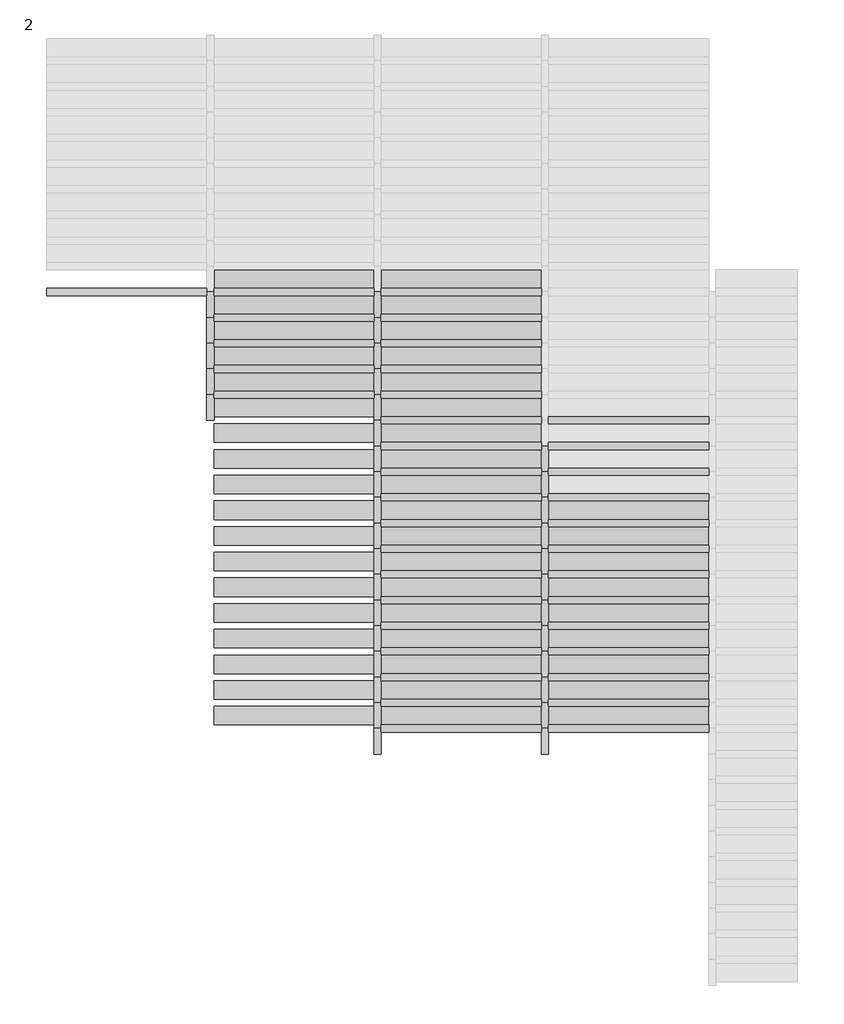
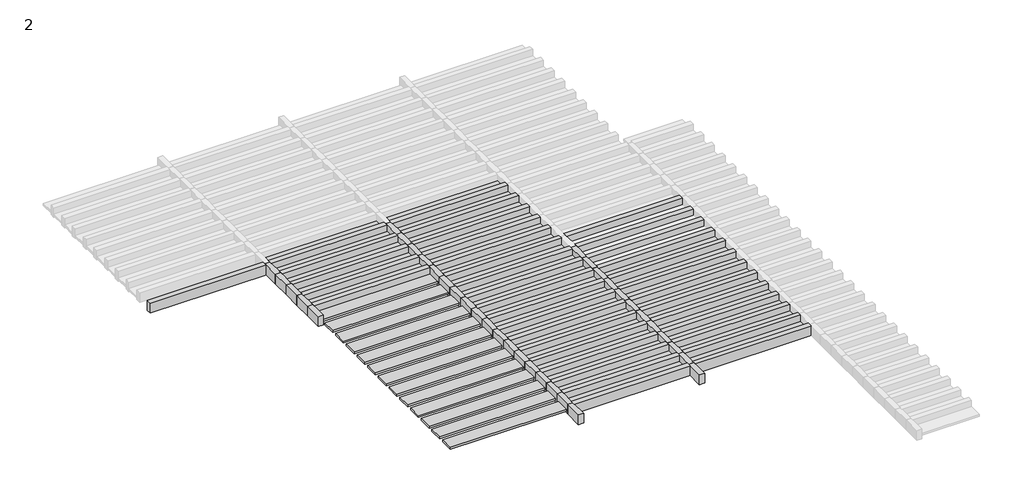
# One storey, part 11 of 20: 72 members, 45 plates.
"""IFC4 building model written with IfcOpenShell, lengths in millimetres."""

import ifcopenshell
import ifcopenshell.guid

model = None  # the IFC model being written
_history = None  # IfcOwnerHistory: only IFC2X3 demands one
_inside = {}  # id of a spatial element -> (the spatial element, [elements in it])
_under = {}  # id of a project, library or spatial element -> (it, [spatial elements below it])
_declared = {}  # id of a project -> (the project, [libraries it declares])
_typed = {}  # id of a type object -> (the type object, [elements of that type])
_made_of = {}  # id of a material, layer set ... -> (it, [elements and type objects made of it])


def new_model(schema):
    """Start an empty IFC model of exactly this schema.

    Asked for "IFC4X3", IfcOpenShell would pick the latest addendum, in which some entities
    have other attributes; the version numbers below select the first issue.
    IFC2X3 requires an IfcOwnerHistory on every rooted entity: one is made here for all.
    """
    global model, _history
    if schema == "IFC4X3":
        model = ifcopenshell.file(schema_version=(4, 3, 0, 0))
    else:
        model = ifcopenshell.file(schema=schema)
    _inside.clear()
    _under.clear()
    _declared.clear()
    _typed.clear()
    _made_of.clear()
    _history = None
    if model.schema == "IFC2X3":
        org = make("IfcOrganization", Name="unknown")
        user = make(
            "IfcPersonAndOrganization",
            ThePerson=make("IfcPerson", FamilyName="unknown"),
            TheOrganization=org,
        )
        app = make(
            "IfcApplication",
            ApplicationDeveloper=org,
            Version="unknown",
            ApplicationFullName="unknown",
            ApplicationIdentifier="unknown",
        )
        _history = make(
            "IfcOwnerHistory",
            OwningUser=user,
            OwningApplication=app,
            ChangeAction="ADDED",
            CreationDate=0,
        )
    return model


def make(cls, **values):
    """One entity of the class cls with the attributes given. An attribute that is None is left unset."""
    return model.create_entity(
        cls, **{name: value for name, value in values.items() if value is not None}
    )


def rooted(cls, **values):
    """An entity with a GlobalId (a new one), such as an element, a storey or a relation."""
    return make(cls, GlobalId=ifcopenshell.guid.new(), OwnerHistory=_history, **values)


def si_unit(unit_type, name, prefix=None):
    """IfcSIUnit, for example si_unit("LENGTHUNIT", "METRE", prefix="MILLI")."""
    return make("IfcSIUnit", UnitType=unit_type, Prefix=prefix, Name=name)


def assignment(units):
    """IfcUnitAssignment: the units of a project."""
    return None if units is None else make("IfcUnitAssignment", Units=units)


def point(xyz):
    """IfcCartesianPoint."""
    return None if xyz is None else make("IfcCartesianPoint", Coordinates=xyz)


def direction(xyz):
    """IfcDirection."""
    return None if xyz is None else make("IfcDirection", DirectionRatios=xyz)


def frame(location, z_axis=None, x_axis=None):
    """IfcAxis2Placement3D, a coordinate frame: its origin and axes. An axis left out is left unset."""
    return make(
        "IfcAxis2Placement3D",
        Location=point(location),
        Axis=direction(z_axis),
        RefDirection=direction(x_axis),
    )


def origin():
    """The frame at (0, 0, 0) with its axes left unset."""
    return frame((0.0, 0.0, 0.0))


def origin_with_axes():
    """The frame at (0, 0, 0) with the z axis (0, 0, 1) and the x axis (1, 0, 0) written out."""
    return frame((0.0, 0.0, 0.0), z_axis=(0.0, 0.0, 1.0), x_axis=(1.0, 0.0, 0.0))


def place(relative_to, where):
    """IfcLocalPlacement: puts the frame where relative to a parent placement (None: the world)."""
    return make(
        "IfcLocalPlacement", PlacementRelTo=relative_to, RelativePlacement=where
    )


def context(
    kind, dimensions, precision=None, world=None, true_north=None, identifier=None
):
    """IfcGeometricRepresentationContext, for example the 3D "Model" context."""
    return make(
        "IfcGeometricRepresentationContext",
        ContextIdentifier=identifier,
        ContextType=kind,
        CoordinateSpaceDimension=dimensions,
        Precision=precision,
        WorldCoordinateSystem=world,
        TrueNorth=true_north,
    )


def project(units=None, contexts=None):
    """IfcProject with its units and contexts."""
    return rooted(
        "IfcProject",
        Name="project",
        RepresentationContexts=contexts,
        UnitsInContext=assignment(units),
    )


def spatial(cls, under=None, at=None, **own):
    """A site, building, storey or space (cls), placed at a placement, below another one or the project."""
    s = rooted(cls, ObjectPlacement=at, **own)
    if under is not None:
        _under.setdefault(under.id(), (under, []))[1].append(s)
    return s


def polyline(points):
    """IfcPolyline through the points."""
    return make("IfcPolyline", Points=[point(p) for p in points])


def outline(outer, holes=None, kind="AREA"):
    """IfcArbitraryClosedProfileDef: a profile drawn as a closed curve; with holes, ...WithVoids."""
    if holes is None:
        return make("IfcArbitraryClosedProfileDef", ProfileType=kind, OuterCurve=outer)
    return make(
        "IfcArbitraryProfileDefWithVoids",
        ProfileType=kind,
        OuterCurve=outer,
        InnerCurves=holes,
    )


def extrude(swept, where, along, depth):
    """IfcExtrudedAreaSolid: the profile swept, set in the frame where, extruded along a direction by depth."""
    return make(
        "IfcExtrudedAreaSolid",
        SweptArea=swept,
        Position=where,
        ExtrudedDirection=direction(along),
        Depth=depth,
    )


def shape(context_of_items, identifier, shape_type, items):
    """IfcShapeRepresentation: the items that make up one representation, for example the "Body"."""
    return make(
        "IfcShapeRepresentation",
        ContextOfItems=context_of_items,
        RepresentationIdentifier=identifier,
        RepresentationType=shape_type,
        Items=items,
    )


def source(mapping_origin, context_of_items, identifier, shape_type, items):
    """IfcRepresentationMap: a shape defined once, which mapped items show again and again."""
    return make(
        "IfcRepresentationMap",
        MappingOrigin=mapping_origin,
        MappedRepresentation=shape(context_of_items, identifier, shape_type, items),
    )


def transform(
    local_origin,
    x_axis=None,
    y_axis=None,
    z_axis=None,
    scale=None,
    scale2=None,
    scale3=None,
    uniform=True,
):
    """IfcCartesianTransformationOperator3D, or its non-uniform kind. x_axis, y_axis, z_axis: its Axis1, 2, 3."""
    if uniform:
        return make(
            "IfcCartesianTransformationOperator3D",
            Axis1=direction(x_axis),
            Axis2=direction(y_axis),
            LocalOrigin=point(local_origin),
            Scale=scale,
            Axis3=direction(z_axis),
        )
    return make(
        "IfcCartesianTransformationOperator3DnonUniform",
        Axis1=direction(x_axis),
        Axis2=direction(y_axis),
        LocalOrigin=point(local_origin),
        Scale=scale,
        Axis3=direction(z_axis),
        Scale2=scale2,
        Scale3=scale3,
    )


def mapped(mapping_source, mapping_target):
    """IfcMappedItem: shows the shape of a source again, moved by a transform."""
    return make(
        "IfcMappedItem", MappingSource=mapping_source, MappingTarget=mapping_target
    )


def made_of(thing, what):
    """Note that an element or type object is made of a material, layer set ...; save() writes the relation."""
    if what is not None:
        _made_of.setdefault(what.id(), (what, []))[1].append(thing)
    return thing


def element(
    cls,
    number,
    at=None,
    inside=None,
    cuts=None,
    type_object=None,
    material=None,
    context=None,
    identifier="Body",
    shape_type=None,
    held_by="IfcProductDefinitionShape",
    body=None,
    shapes=None,
    **own,
):
    """One element of the class cls, such as IfcWall. Its Tag is "e" and its number.

    at: its placement. inside: the storey or other place that contains it. cuts: it is an
    opening in that element (IfcRelVoidsElement). A single representation is given by context,
    identifier, shape_type and body (its items); several are given by shapes. held_by: the class
    of the entity that holds the representations. save() writes the other relations.
    """
    e = rooted(cls, Tag="e%d" % number, ObjectPlacement=at, **own)
    if body is not None:
        shapes = [shape(context, identifier, shape_type, body)]
    if shapes is not None:
        e.Representation = make(held_by, Representations=shapes)
    if inside is not None:
        _inside.setdefault(inside.id(), (inside, []))[1].append(e)
    if cuts is not None:
        rooted(
            "IfcRelVoidsElement", RelatingBuildingElement=cuts, RelatedOpeningElement=e
        )
    if type_object is not None:
        _typed.setdefault(type_object.id(), (type_object, []))[1].append(e)
    return made_of(e, material)


def aggregate(whole, parts):
    """IfcRelAggregates: a whole, such as a stair, and the parts it consists of."""
    return rooted("IfcRelAggregates", RelatingObject=whole, RelatedObjects=parts)


def save(model, path):
    """Write the relations noted so far, then the file.

    IfcRelAggregates (storeys below a building ...), IfcRelContainedInSpatialStructure (elements
    in a storey), IfcRelDefinesByType, IfcRelAssociatesMaterial and IfcRelDeclares: one each for
    every whole, place, type object, material and project.
    """
    for whole, parts in _under.values():
        aggregate(whole, parts)
    for where, things in _inside.values():
        rooted(
            "IfcRelContainedInSpatialStructure",
            RelatedElements=things,
            RelatingStructure=where,
        )
    for kind, things in _typed.values():
        rooted("IfcRelDefinesByType", RelatedObjects=things, RelatingType=kind)
    for what, things in _made_of.values():
        rooted("IfcRelAssociatesMaterial", RelatedObjects=things, RelatingMaterial=what)
    for by, libraries in _declared.values():
        rooted("IfcRelDeclares", RelatingContext=by, RelatedDefinitions=libraries)
    model.write(path)


def rectangular_mullion_rectangular_mullion_1_2e36edf5(model_context):
    return source(origin(), model_context, "Body", "SweptSolid", [
        extrude(outline(polyline([(31.75, 63.5), (31.75, -63.5), (-31.75, -63.5), (-31.75, 63.5), (31.75, 63.5)])), frame((0.0, 0.0, -1436.5), z_axis=(0.0, 0.0, 1.0), x_axis=(1.0, 0.0, 0.0)), (0.0, 0.0, 1.0), 1436.5),
    ])


def rectangular_mullion_rectangular_mullion_1_d94df714(model_context):
    return source(origin(), model_context, "Body", "SweptSolid", [
        extrude(outline(polyline([(31.75, 63.5), (31.75, -63.5), (-31.75, -63.5), (-31.75, 63.5), (31.75, 63.5)])), frame((0.0, 0.0, -230.0), z_axis=(0.0, 0.0, 1.0), x_axis=(1.0, 0.0, 0.0)), (0.0, 0.0, 1.0), 230.0),
    ])


def system_panel_glazed_08e8e96b(model_context):
    return source(origin(), model_context, "Body", "SweptSolid", [
        extrude(outline(polyline([(718.25, 19.05), (-718.25, 19.05), (-718.25, 44.45), (718.25, 44.45), (718.25, 19.05)])), origin_with_axes(), (0.0, 0.0, 1.0), 166.5),
    ])


model = new_model("IFC4")

# Units and contexts
model_context = context("Model", 3, world=origin())
ifc_project = project(units=[si_unit("LENGTHUNIT", "METRE", prefix="MILLI")], contexts=[model_context])

# Site, building, storey
site = spatial("IfcSite", under=ifc_project)
building = spatial("IfcBuilding", under=site)
storey = spatial("IfcBuildingStorey", under=building, Name="2", Elevation=6840.0)

# Members
placement = place(None, origin())
rectangular_mullion_rectangular_mullion_1_shape = rectangular_mullion_rectangular_mullion_1_2e36edf5(model_context)
element("IfcMember", 1, ObjectType="Rectangular Mullion : Rectangular Mullion 1", at=placement, inside=storey, context=model_context, shape_type="MappedRepresentation", body=[
    mapped(rectangular_mullion_rectangular_mullion_1_shape, transform((2077.9371269, -54.8054662, 6840.0), x_axis=(0.0, 1.0, 0.0), y_axis=(0.0, 0.0, -1.0), z_axis=(-1.0, 0.0, 0.0))),
])
element("IfcMember", 2, ObjectType="Rectangular Mullion : Rectangular Mullion 1", at=placement, inside=storey, context=model_context, shape_type="MappedRepresentation", body=[
    mapped(rectangular_mullion_rectangular_mullion_1_shape, transform((5077.9371269, -3964.8054662, 6840.0), x_axis=(0.0, 1.0, 0.0), y_axis=(0.0, 0.0, -1.0), z_axis=(-1.0, 0.0, 0.0))),
])
element("IfcMember", 3, ObjectType="Rectangular Mullion : Rectangular Mullion 1", at=placement, inside=storey, context=model_context, shape_type="MappedRepresentation", body=[
    mapped(rectangular_mullion_rectangular_mullion_1_shape, transform((6577.9371269, -3964.8054662, 6840.0), x_axis=(0.0, 1.0, 0.0), y_axis=(0.0, 0.0, -1.0), z_axis=(-1.0, 0.0, 0.0))),
])
element("IfcMember", 4, ObjectType="Rectangular Mullion : Rectangular Mullion 1", at=placement, inside=storey, context=model_context, shape_type="MappedRepresentation", body=[
    mapped(rectangular_mullion_rectangular_mullion_1_shape, transform((5077.9371269, -3734.8054662, 6840.0), x_axis=(0.0, 1.0, 0.0), y_axis=(0.0, 0.0, -1.0), z_axis=(-1.0, 0.0, 0.0))),
])
element("IfcMember", 5, ObjectType="Rectangular Mullion : Rectangular Mullion 1", at=placement, inside=storey, context=model_context, shape_type="MappedRepresentation", body=[
    mapped(rectangular_mullion_rectangular_mullion_1_shape, transform((6577.9371269, -3734.8054662, 6840.0), x_axis=(0.0, 1.0, 0.0), y_axis=(0.0, 0.0, -1.0), z_axis=(-1.0, 0.0, 0.0))),
])
element("IfcMember", 6, ObjectType="Rectangular Mullion : Rectangular Mullion 1", at=placement, inside=storey, context=model_context, shape_type="MappedRepresentation", body=[
    mapped(rectangular_mullion_rectangular_mullion_1_shape, transform((5077.9371269, -3504.8054662, 6840.0), x_axis=(0.0, 1.0, 0.0), y_axis=(0.0, 0.0, -1.0), z_axis=(-1.0, 0.0, 0.0))),
])
element("IfcMember", 7, ObjectType="Rectangular Mullion : Rectangular Mullion 1", at=placement, inside=storey, context=model_context, shape_type="MappedRepresentation", body=[
    mapped(rectangular_mullion_rectangular_mullion_1_shape, transform((6577.9371269, -3504.8054662, 6840.0), x_axis=(0.0, 1.0, 0.0), y_axis=(0.0, 0.0, -1.0), z_axis=(-1.0, 0.0, 0.0))),
])
element("IfcMember", 8, ObjectType="Rectangular Mullion : Rectangular Mullion 1", at=placement, inside=storey, context=model_context, shape_type="MappedRepresentation", body=[
    mapped(rectangular_mullion_rectangular_mullion_1_shape, transform((5077.9371269, -3274.8054662, 6840.0), x_axis=(0.0, 1.0, 0.0), y_axis=(0.0, 0.0, -1.0), z_axis=(-1.0, 0.0, 0.0))),
])
element("IfcMember", 9, ObjectType="Rectangular Mullion : Rectangular Mullion 1", at=placement, inside=storey, context=model_context, shape_type="MappedRepresentation", body=[
    mapped(rectangular_mullion_rectangular_mullion_1_shape, transform((6577.9371269, -3274.8054662, 6840.0), x_axis=(0.0, 1.0, 0.0), y_axis=(0.0, 0.0, -1.0), z_axis=(-1.0, 0.0, 0.0))),
])
element("IfcMember", 10, ObjectType="Rectangular Mullion : Rectangular Mullion 1", at=placement, inside=storey, context=model_context, shape_type="MappedRepresentation", body=[
    mapped(rectangular_mullion_rectangular_mullion_1_shape, transform((5077.9371269, -3044.8054662, 6840.0), x_axis=(0.0, 1.0, 0.0), y_axis=(0.0, 0.0, -1.0), z_axis=(-1.0, 0.0, 0.0))),
])
element("IfcMember", 11, ObjectType="Rectangular Mullion : Rectangular Mullion 1", at=placement, inside=storey, context=model_context, shape_type="MappedRepresentation", body=[
    mapped(rectangular_mullion_rectangular_mullion_1_shape, transform((6577.9371269, -3044.8054662, 6840.0), x_axis=(0.0, 1.0, 0.0), y_axis=(0.0, 0.0, -1.0), z_axis=(-1.0, 0.0, 0.0))),
])
element("IfcMember", 12, ObjectType="Rectangular Mullion : Rectangular Mullion 1", at=placement, inside=storey, context=model_context, shape_type="MappedRepresentation", body=[
    mapped(rectangular_mullion_rectangular_mullion_1_shape, transform((5077.9371269, -2814.8054662, 6840.0), x_axis=(0.0, 1.0, 0.0), y_axis=(0.0, 0.0, -1.0), z_axis=(-1.0, 0.0, 0.0))),
])
element("IfcMember", 13, ObjectType="Rectangular Mullion : Rectangular Mullion 1", at=placement, inside=storey, context=model_context, shape_type="MappedRepresentation", body=[
    mapped(rectangular_mullion_rectangular_mullion_1_shape, transform((6577.9371269, -2814.8054662, 6840.0), x_axis=(0.0, 1.0, 0.0), y_axis=(0.0, 0.0, -1.0), z_axis=(-1.0, 0.0, 0.0))),
])
element("IfcMember", 14, ObjectType="Rectangular Mullion : Rectangular Mullion 1", at=placement, inside=storey, context=model_context, shape_type="MappedRepresentation", body=[
    mapped(rectangular_mullion_rectangular_mullion_1_shape, transform((5077.9371269, -2584.8054662, 6840.0), x_axis=(0.0, 1.0, 0.0), y_axis=(0.0, 0.0, -1.0), z_axis=(-1.0, 0.0, 0.0))),
])
element("IfcMember", 15, ObjectType="Rectangular Mullion : Rectangular Mullion 1", at=placement, inside=storey, context=model_context, shape_type="MappedRepresentation", body=[
    mapped(rectangular_mullion_rectangular_mullion_1_shape, transform((6577.9371269, -2584.8054662, 6840.0), x_axis=(0.0, 1.0, 0.0), y_axis=(0.0, 0.0, -1.0), z_axis=(-1.0, 0.0, 0.0))),
])
element("IfcMember", 16, ObjectType="Rectangular Mullion : Rectangular Mullion 1", at=placement, inside=storey, context=model_context, shape_type="MappedRepresentation", body=[
    mapped(rectangular_mullion_rectangular_mullion_1_shape, transform((5077.9371269, -2354.8054662, 6840.0), x_axis=(0.0, 1.0, 0.0), y_axis=(0.0, 0.0, -1.0), z_axis=(-1.0, 0.0, 0.0))),
])
element("IfcMember", 17, ObjectType="Rectangular Mullion : Rectangular Mullion 1", at=placement, inside=storey, context=model_context, shape_type="MappedRepresentation", body=[
    mapped(rectangular_mullion_rectangular_mullion_1_shape, transform((6577.9371269, -2354.8054662, 6840.0), x_axis=(0.0, 1.0, 0.0), y_axis=(0.0, 0.0, -1.0), z_axis=(-1.0, 0.0, 0.0))),
])
element("IfcMember", 18, ObjectType="Rectangular Mullion : Rectangular Mullion 1", at=placement, inside=storey, context=model_context, shape_type="MappedRepresentation", body=[
    mapped(rectangular_mullion_rectangular_mullion_1_shape, transform((5077.9371269, -2124.8054662, 6840.0), x_axis=(0.0, 1.0, 0.0), y_axis=(0.0, 0.0, -1.0), z_axis=(-1.0, 0.0, 0.0))),
])
element("IfcMember", 19, ObjectType="Rectangular Mullion : Rectangular Mullion 1", at=placement, inside=storey, context=model_context, shape_type="MappedRepresentation", body=[
    mapped(rectangular_mullion_rectangular_mullion_1_shape, transform((6577.9371269, -2124.8054662, 6840.0), x_axis=(0.0, 1.0, 0.0), y_axis=(0.0, 0.0, -1.0), z_axis=(-1.0, 0.0, 0.0))),
])
element("IfcMember", 20, ObjectType="Rectangular Mullion : Rectangular Mullion 1", at=placement, inside=storey, context=model_context, shape_type="MappedRepresentation", body=[
    mapped(rectangular_mullion_rectangular_mullion_1_shape, transform((5077.9371269, -1894.8054662, 6840.0), x_axis=(0.0, 1.0, 0.0), y_axis=(0.0, 0.0, -1.0), z_axis=(-1.0, 0.0, 0.0))),
])
element("IfcMember", 21, ObjectType="Rectangular Mullion : Rectangular Mullion 1", at=placement, inside=storey, context=model_context, shape_type="MappedRepresentation", body=[
    mapped(rectangular_mullion_rectangular_mullion_1_shape, transform((6577.9371269, -1894.8054662, 6840.0), x_axis=(0.0, 1.0, 0.0), y_axis=(0.0, 0.0, -1.0), z_axis=(-1.0, 0.0, 0.0))),
])
element("IfcMember", 22, ObjectType="Rectangular Mullion : Rectangular Mullion 1", at=placement, inside=storey, context=model_context, shape_type="MappedRepresentation", body=[
    mapped(rectangular_mullion_rectangular_mullion_1_shape, transform((5077.9371269, -1664.8054662, 6840.0), x_axis=(0.0, 1.0, 0.0), y_axis=(0.0, 0.0, -1.0), z_axis=(-1.0, 0.0, 0.0))),
])
element("IfcMember", 23, ObjectType="Rectangular Mullion : Rectangular Mullion 1", at=placement, inside=storey, context=model_context, shape_type="MappedRepresentation", body=[
    mapped(rectangular_mullion_rectangular_mullion_1_shape, transform((6577.9371269, -1664.8054662, 6840.0), x_axis=(0.0, 1.0, 0.0), y_axis=(0.0, 0.0, -1.0), z_axis=(-1.0, 0.0, 0.0))),
])
element("IfcMember", 24, ObjectType="Rectangular Mullion : Rectangular Mullion 1", at=placement, inside=storey, context=model_context, shape_type="MappedRepresentation", body=[
    mapped(rectangular_mullion_rectangular_mullion_1_shape, transform((5077.9371269, -1434.8054662, 6840.0), x_axis=(0.0, 1.0, 0.0), y_axis=(0.0, 0.0, -1.0), z_axis=(-1.0, 0.0, 0.0))),
])
element("IfcMember", 25, ObjectType="Rectangular Mullion : Rectangular Mullion 1", at=placement, inside=storey, context=model_context, shape_type="MappedRepresentation", body=[
    mapped(rectangular_mullion_rectangular_mullion_1_shape, transform((6577.9371269, -1434.8054662, 6840.0), x_axis=(0.0, 1.0, 0.0), y_axis=(0.0, 0.0, -1.0), z_axis=(-1.0, 0.0, 0.0))),
])
element("IfcMember", 26, ObjectType="Rectangular Mullion : Rectangular Mullion 1", at=placement, inside=storey, context=model_context, shape_type="MappedRepresentation", body=[
    mapped(rectangular_mullion_rectangular_mullion_1_shape, transform((5077.9371269, -1204.8054662, 6840.0), x_axis=(0.0, 1.0, 0.0), y_axis=(0.0, 0.0, -1.0), z_axis=(-1.0, 0.0, 0.0))),
])
element("IfcMember", 27, ObjectType="Rectangular Mullion : Rectangular Mullion 1", at=placement, inside=storey, context=model_context, shape_type="MappedRepresentation", body=[
    mapped(rectangular_mullion_rectangular_mullion_1_shape, transform((6577.9371269, -1204.8054662, 6840.0), x_axis=(0.0, 1.0, 0.0), y_axis=(0.0, 0.0, -1.0), z_axis=(-1.0, 0.0, 0.0))),
])
element("IfcMember", 28, ObjectType="Rectangular Mullion : Rectangular Mullion 1", at=placement, inside=storey, context=model_context, shape_type="MappedRepresentation", body=[
    mapped(rectangular_mullion_rectangular_mullion_1_shape, transform((3577.9371269, -974.8054662, 6840.0), x_axis=(0.0, 1.0, 0.0), y_axis=(0.0, 0.0, -1.0), z_axis=(-1.0, 0.0, 0.0))),
])
element("IfcMember", 29, ObjectType="Rectangular Mullion : Rectangular Mullion 1", at=placement, inside=storey, context=model_context, shape_type="MappedRepresentation", body=[
    mapped(rectangular_mullion_rectangular_mullion_1_shape, transform((5077.9371269, -974.8054662, 6840.0), x_axis=(0.0, 1.0, 0.0), y_axis=(0.0, 0.0, -1.0), z_axis=(-1.0, 0.0, 0.0))),
])
element("IfcMember", 30, ObjectType="Rectangular Mullion : Rectangular Mullion 1", at=placement, inside=storey, context=model_context, shape_type="MappedRepresentation", body=[
    mapped(rectangular_mullion_rectangular_mullion_1_shape, transform((3577.9371269, -744.8054662, 6840.0), x_axis=(0.0, 1.0, 0.0), y_axis=(0.0, 0.0, -1.0), z_axis=(-1.0, 0.0, 0.0))),
])
element("IfcMember", 31, ObjectType="Rectangular Mullion : Rectangular Mullion 1", at=placement, inside=storey, context=model_context, shape_type="MappedRepresentation", body=[
    mapped(rectangular_mullion_rectangular_mullion_1_shape, transform((5077.9371269, -744.8054662, 6840.0), x_axis=(0.0, 1.0, 0.0), y_axis=(0.0, 0.0, -1.0), z_axis=(-1.0, 0.0, 0.0))),
])
element("IfcMember", 32, ObjectType="Rectangular Mullion : Rectangular Mullion 1", at=placement, inside=storey, context=model_context, shape_type="MappedRepresentation", body=[
    mapped(rectangular_mullion_rectangular_mullion_1_shape, transform((3577.9371269, -514.8054662, 6840.0), x_axis=(0.0, 1.0, 0.0), y_axis=(0.0, 0.0, -1.0), z_axis=(-1.0, 0.0, 0.0))),
])
element("IfcMember", 33, ObjectType="Rectangular Mullion : Rectangular Mullion 1", at=placement, inside=storey, context=model_context, shape_type="MappedRepresentation", body=[
    mapped(rectangular_mullion_rectangular_mullion_1_shape, transform((5077.9371269, -514.8054662, 6840.0), x_axis=(0.0, 1.0, 0.0), y_axis=(0.0, 0.0, -1.0), z_axis=(-1.0, 0.0, 0.0))),
])
element("IfcMember", 34, ObjectType="Rectangular Mullion : Rectangular Mullion 1", at=placement, inside=storey, context=model_context, shape_type="MappedRepresentation", body=[
    mapped(rectangular_mullion_rectangular_mullion_1_shape, transform((3577.9371269, -284.8054662, 6840.0), x_axis=(0.0, 1.0, 0.0), y_axis=(0.0, 0.0, -1.0), z_axis=(-1.0, 0.0, 0.0))),
])
element("IfcMember", 35, ObjectType="Rectangular Mullion : Rectangular Mullion 1", at=placement, inside=storey, context=model_context, shape_type="MappedRepresentation", body=[
    mapped(rectangular_mullion_rectangular_mullion_1_shape, transform((5077.9371269, -284.8054662, 6840.0), x_axis=(0.0, 1.0, 0.0), y_axis=(0.0, 0.0, -1.0), z_axis=(-1.0, 0.0, 0.0))),
])
element("IfcMember", 36, ObjectType="Rectangular Mullion : Rectangular Mullion 1", at=placement, inside=storey, context=model_context, shape_type="MappedRepresentation", body=[
    mapped(rectangular_mullion_rectangular_mullion_1_shape, transform((3577.9371269, -54.8054662, 6840.0), x_axis=(0.0, 1.0, 0.0), y_axis=(0.0, 0.0, -1.0), z_axis=(-1.0, 0.0, 0.0))),
])
element("IfcMember", 37, ObjectType="Rectangular Mullion : Rectangular Mullion 1", at=placement, inside=storey, context=model_context, shape_type="MappedRepresentation", body=[
    mapped(rectangular_mullion_rectangular_mullion_1_shape, transform((5077.9371269, -54.8054662, 6840.0), x_axis=(0.0, 1.0, 0.0), y_axis=(0.0, 0.0, -1.0), z_axis=(-1.0, 0.0, 0.0))),
])
rectangular_mullion_rectangular_mullion_1_2_shape = rectangular_mullion_rectangular_mullion_1_d94df714(model_context)
element("IfcMember", 38, ObjectType="Rectangular Mullion : Rectangular Mullion 1", at=placement, inside=storey, context=model_context, shape_type="MappedRepresentation", body=[
    mapped(rectangular_mullion_rectangular_mullion_1_2_shape, transform((5046.1871269, -3964.8054662, 6840.0), x_axis=(1.0, 0.0, 0.0), y_axis=(0.0, 0.0, -1.0), z_axis=(0.0, 1.0, 0.0))),
])
element("IfcMember", 39, ObjectType="Rectangular Mullion : Rectangular Mullion 1", at=placement, inside=storey, context=model_context, shape_type="MappedRepresentation", body=[
    mapped(rectangular_mullion_rectangular_mullion_1_2_shape, transform((6546.1871269, -3964.8054662, 6840.0), x_axis=(1.0, 0.0, 0.0), y_axis=(0.0, 0.0, -1.0), z_axis=(0.0, 1.0, 0.0))),
])
element("IfcMember", 40, ObjectType="Rectangular Mullion : Rectangular Mullion 1", at=placement, inside=storey, context=model_context, shape_type="MappedRepresentation", body=[
    mapped(rectangular_mullion_rectangular_mullion_1_2_shape, transform((5046.1871269, -3734.8054662, 6840.0), x_axis=(1.0, 0.0, 0.0), y_axis=(0.0, 0.0, -1.0), z_axis=(0.0, 1.0, 0.0))),
])
element("IfcMember", 41, ObjectType="Rectangular Mullion : Rectangular Mullion 1", at=placement, inside=storey, context=model_context, shape_type="MappedRepresentation", body=[
    mapped(rectangular_mullion_rectangular_mullion_1_2_shape, transform((6546.1871269, -3734.8054662, 6840.0), x_axis=(1.0, 0.0, 0.0), y_axis=(0.0, 0.0, -1.0), z_axis=(0.0, 1.0, 0.0))),
])
element("IfcMember", 42, ObjectType="Rectangular Mullion : Rectangular Mullion 1", at=placement, inside=storey, context=model_context, shape_type="MappedRepresentation", body=[
    mapped(rectangular_mullion_rectangular_mullion_1_2_shape, transform((5046.1871269, -3504.8054662, 6840.0), x_axis=(1.0, 0.0, 0.0), y_axis=(0.0, 0.0, -1.0), z_axis=(0.0, 1.0, 0.0))),
])
element("IfcMember", 43, ObjectType="Rectangular Mullion : Rectangular Mullion 1", at=placement, inside=storey, context=model_context, shape_type="MappedRepresentation", body=[
    mapped(rectangular_mullion_rectangular_mullion_1_2_shape, transform((6546.1871269, -3504.8054662, 6840.0), x_axis=(1.0, 0.0, 0.0), y_axis=(0.0, 0.0, -1.0), z_axis=(0.0, 1.0, 0.0))),
])
element("IfcMember", 44, ObjectType="Rectangular Mullion : Rectangular Mullion 1", at=placement, inside=storey, context=model_context, shape_type="MappedRepresentation", body=[
    mapped(rectangular_mullion_rectangular_mullion_1_2_shape, transform((5046.1871269, -3274.8054662, 6840.0), x_axis=(1.0, 0.0, 0.0), y_axis=(0.0, 0.0, -1.0), z_axis=(0.0, 1.0, 0.0))),
])
element("IfcMember", 45, ObjectType="Rectangular Mullion : Rectangular Mullion 1", at=placement, inside=storey, context=model_context, shape_type="MappedRepresentation", body=[
    mapped(rectangular_mullion_rectangular_mullion_1_2_shape, transform((6546.1871269, -3274.8054662, 6840.0), x_axis=(1.0, 0.0, 0.0), y_axis=(0.0, 0.0, -1.0), z_axis=(0.0, 1.0, 0.0))),
])
element("IfcMember", 46, ObjectType="Rectangular Mullion : Rectangular Mullion 1", at=placement, inside=storey, context=model_context, shape_type="MappedRepresentation", body=[
    mapped(rectangular_mullion_rectangular_mullion_1_2_shape, transform((5046.1871269, -3044.8054662, 6840.0), x_axis=(1.0, 0.0, 0.0), y_axis=(0.0, 0.0, -1.0), z_axis=(0.0, 1.0, 0.0))),
])
element("IfcMember", 47, ObjectType="Rectangular Mullion : Rectangular Mullion 1", at=placement, inside=storey, context=model_context, shape_type="MappedRepresentation", body=[
    mapped(rectangular_mullion_rectangular_mullion_1_2_shape, transform((6546.1871269, -3044.8054662, 6840.0), x_axis=(1.0, 0.0, 0.0), y_axis=(0.0, 0.0, -1.0), z_axis=(0.0, 1.0, 0.0))),
])
element("IfcMember", 48, ObjectType="Rectangular Mullion : Rectangular Mullion 1", at=placement, inside=storey, context=model_context, shape_type="MappedRepresentation", body=[
    mapped(rectangular_mullion_rectangular_mullion_1_2_shape, transform((5046.1871269, -2814.8054662, 6840.0), x_axis=(1.0, 0.0, 0.0), y_axis=(0.0, 0.0, -1.0), z_axis=(0.0, 1.0, 0.0))),
])
element("IfcMember", 49, ObjectType="Rectangular Mullion : Rectangular Mullion 1", at=placement, inside=storey, context=model_context, shape_type="MappedRepresentation", body=[
    mapped(rectangular_mullion_rectangular_mullion_1_2_shape, transform((6546.1871269, -2814.8054662, 6840.0), x_axis=(1.0, 0.0, 0.0), y_axis=(0.0, 0.0, -1.0), z_axis=(0.0, 1.0, 0.0))),
])
element("IfcMember", 50, ObjectType="Rectangular Mullion : Rectangular Mullion 1", at=placement, inside=storey, context=model_context, shape_type="MappedRepresentation", body=[
    mapped(rectangular_mullion_rectangular_mullion_1_2_shape, transform((5046.1871269, -2584.8054662, 6840.0), x_axis=(1.0, 0.0, 0.0), y_axis=(0.0, 0.0, -1.0), z_axis=(0.0, 1.0, 0.0))),
])
element("IfcMember", 51, ObjectType="Rectangular Mullion : Rectangular Mullion 1", at=placement, inside=storey, context=model_context, shape_type="MappedRepresentation", body=[
    mapped(rectangular_mullion_rectangular_mullion_1_2_shape, transform((6546.1871269, -2584.8054662, 6840.0), x_axis=(1.0, 0.0, 0.0), y_axis=(0.0, 0.0, -1.0), z_axis=(0.0, 1.0, 0.0))),
])
element("IfcMember", 52, ObjectType="Rectangular Mullion : Rectangular Mullion 1", at=placement, inside=storey, context=model_context, shape_type="MappedRepresentation", body=[
    mapped(rectangular_mullion_rectangular_mullion_1_2_shape, transform((5046.1871269, -2354.8054662, 6840.0), x_axis=(1.0, 0.0, 0.0), y_axis=(0.0, 0.0, -1.0), z_axis=(0.0, 1.0, 0.0))),
])
element("IfcMember", 53, ObjectType="Rectangular Mullion : Rectangular Mullion 1", at=placement, inside=storey, context=model_context, shape_type="MappedRepresentation", body=[
    mapped(rectangular_mullion_rectangular_mullion_1_2_shape, transform((6546.1871269, -2354.8054662, 6840.0), x_axis=(1.0, 0.0, 0.0), y_axis=(0.0, 0.0, -1.0), z_axis=(0.0, 1.0, 0.0))),
])
element("IfcMember", 54, ObjectType="Rectangular Mullion : Rectangular Mullion 1", at=placement, inside=storey, context=model_context, shape_type="MappedRepresentation", body=[
    mapped(rectangular_mullion_rectangular_mullion_1_2_shape, transform((5046.1871269, -2124.8054662, 6840.0), x_axis=(1.0, 0.0, 0.0), y_axis=(0.0, 0.0, -1.0), z_axis=(0.0, 1.0, 0.0))),
])
element("IfcMember", 55, ObjectType="Rectangular Mullion : Rectangular Mullion 1", at=placement, inside=storey, context=model_context, shape_type="MappedRepresentation", body=[
    mapped(rectangular_mullion_rectangular_mullion_1_2_shape, transform((6546.1871269, -2124.8054662, 6840.0), x_axis=(1.0, 0.0, 0.0), y_axis=(0.0, 0.0, -1.0), z_axis=(0.0, 1.0, 0.0))),
])
element("IfcMember", 56, ObjectType="Rectangular Mullion : Rectangular Mullion 1", at=placement, inside=storey, context=model_context, shape_type="MappedRepresentation", body=[
    mapped(rectangular_mullion_rectangular_mullion_1_2_shape, transform((5046.1871269, -1894.8054662, 6840.0), x_axis=(1.0, 0.0, 0.0), y_axis=(0.0, 0.0, -1.0), z_axis=(0.0, 1.0, 0.0))),
])
element("IfcMember", 57, ObjectType="Rectangular Mullion : Rectangular Mullion 1", at=placement, inside=storey, context=model_context, shape_type="MappedRepresentation", body=[
    mapped(rectangular_mullion_rectangular_mullion_1_2_shape, transform((6546.1871269, -1894.8054662, 6840.0), x_axis=(1.0, 0.0, 0.0), y_axis=(0.0, 0.0, -1.0), z_axis=(0.0, 1.0, 0.0))),
])
element("IfcMember", 58, ObjectType="Rectangular Mullion : Rectangular Mullion 1", at=placement, inside=storey, context=model_context, shape_type="MappedRepresentation", body=[
    mapped(rectangular_mullion_rectangular_mullion_1_2_shape, transform((5046.1871269, -1664.8054662, 6840.0), x_axis=(1.0, 0.0, 0.0), y_axis=(0.0, 0.0, -1.0), z_axis=(0.0, 1.0, 0.0))),
])
element("IfcMember", 59, ObjectType="Rectangular Mullion : Rectangular Mullion 1", at=placement, inside=storey, context=model_context, shape_type="MappedRepresentation", body=[
    mapped(rectangular_mullion_rectangular_mullion_1_2_shape, transform((6546.1871269, -1664.8054662, 6840.0), x_axis=(1.0, 0.0, 0.0), y_axis=(0.0, 0.0, -1.0), z_axis=(0.0, 1.0, 0.0))),
])
element("IfcMember", 60, ObjectType="Rectangular Mullion : Rectangular Mullion 1", at=placement, inside=storey, context=model_context, shape_type="MappedRepresentation", body=[
    mapped(rectangular_mullion_rectangular_mullion_1_2_shape, transform((5046.1871269, -1434.8054662, 6840.0), x_axis=(1.0, 0.0, 0.0), y_axis=(0.0, 0.0, -1.0), z_axis=(0.0, 1.0, 0.0))),
])
element("IfcMember", 61, ObjectType="Rectangular Mullion : Rectangular Mullion 1", at=placement, inside=storey, context=model_context, shape_type="MappedRepresentation", body=[
    mapped(rectangular_mullion_rectangular_mullion_1_2_shape, transform((6546.1871269, -1434.8054662, 6840.0), x_axis=(1.0, 0.0, 0.0), y_axis=(0.0, 0.0, -1.0), z_axis=(0.0, 1.0, 0.0))),
])
element("IfcMember", 62, ObjectType="Rectangular Mullion : Rectangular Mullion 1", at=placement, inside=storey, context=model_context, shape_type="MappedRepresentation", body=[
    mapped(rectangular_mullion_rectangular_mullion_1_2_shape, transform((5046.1871269, -1204.8054662, 6840.0), x_axis=(1.0, 0.0, 0.0), y_axis=(0.0, 0.0, -1.0), z_axis=(0.0, 1.0, 0.0))),
])
element("IfcMember", 63, ObjectType="Rectangular Mullion : Rectangular Mullion 1", at=placement, inside=storey, context=model_context, shape_type="MappedRepresentation", body=[
    mapped(rectangular_mullion_rectangular_mullion_1_2_shape, transform((3546.1871269, -974.8054662, 6840.0), x_axis=(1.0, 0.0, 0.0), y_axis=(0.0, 0.0, -1.0), z_axis=(0.0, 1.0, 0.0))),
])
element("IfcMember", 64, ObjectType="Rectangular Mullion : Rectangular Mullion 1", at=placement, inside=storey, context=model_context, shape_type="MappedRepresentation", body=[
    mapped(rectangular_mullion_rectangular_mullion_1_2_shape, transform((5046.1871269, -974.8054662, 6840.0), x_axis=(1.0, 0.0, 0.0), y_axis=(0.0, 0.0, -1.0), z_axis=(0.0, 1.0, 0.0))),
])
element("IfcMember", 65, ObjectType="Rectangular Mullion : Rectangular Mullion 1", at=placement, inside=storey, context=model_context, shape_type="MappedRepresentation", body=[
    mapped(rectangular_mullion_rectangular_mullion_1_2_shape, transform((3546.1871269, -744.8054662, 6840.0), x_axis=(1.0, 0.0, 0.0), y_axis=(0.0, 0.0, -1.0), z_axis=(0.0, 1.0, 0.0))),
])
element("IfcMember", 66, ObjectType="Rectangular Mullion : Rectangular Mullion 1", at=placement, inside=storey, context=model_context, shape_type="MappedRepresentation", body=[
    mapped(rectangular_mullion_rectangular_mullion_1_2_shape, transform((5046.1871269, -744.8054662, 6840.0), x_axis=(1.0, 0.0, 0.0), y_axis=(0.0, 0.0, -1.0), z_axis=(0.0, 1.0, 0.0))),
])
element("IfcMember", 67, ObjectType="Rectangular Mullion : Rectangular Mullion 1", at=placement, inside=storey, context=model_context, shape_type="MappedRepresentation", body=[
    mapped(rectangular_mullion_rectangular_mullion_1_2_shape, transform((3546.1871269, -514.8054662, 6840.0), x_axis=(1.0, 0.0, 0.0), y_axis=(0.0, 0.0, -1.0), z_axis=(0.0, 1.0, 0.0))),
])
element("IfcMember", 68, ObjectType="Rectangular Mullion : Rectangular Mullion 1", at=placement, inside=storey, context=model_context, shape_type="MappedRepresentation", body=[
    mapped(rectangular_mullion_rectangular_mullion_1_2_shape, transform((5046.1871269, -514.8054662, 6840.0), x_axis=(1.0, 0.0, 0.0), y_axis=(0.0, 0.0, -1.0), z_axis=(0.0, 1.0, 0.0))),
])
element("IfcMember", 69, ObjectType="Rectangular Mullion : Rectangular Mullion 1", at=placement, inside=storey, context=model_context, shape_type="MappedRepresentation", body=[
    mapped(rectangular_mullion_rectangular_mullion_1_2_shape, transform((3546.1871269, -284.8054662, 6840.0), x_axis=(1.0, 0.0, 0.0), y_axis=(0.0, 0.0, -1.0), z_axis=(0.0, 1.0, 0.0))),
])
element("IfcMember", 70, ObjectType="Rectangular Mullion : Rectangular Mullion 1", at=placement, inside=storey, context=model_context, shape_type="MappedRepresentation", body=[
    mapped(rectangular_mullion_rectangular_mullion_1_2_shape, transform((5046.1871269, -284.8054662, 6840.0), x_axis=(1.0, 0.0, 0.0), y_axis=(0.0, 0.0, -1.0), z_axis=(0.0, 1.0, 0.0))),
])
element("IfcMember", 71, ObjectType="Rectangular Mullion : Rectangular Mullion 1", at=placement, inside=storey, context=model_context, shape_type="MappedRepresentation", body=[
    mapped(rectangular_mullion_rectangular_mullion_1_2_shape, transform((3546.1871269, -54.8054662, 6840.0), x_axis=(1.0, 0.0, 0.0), y_axis=(0.0, 0.0, -1.0), z_axis=(0.0, 1.0, 0.0))),
])
element("IfcMember", 72, ObjectType="Rectangular Mullion : Rectangular Mullion 1", at=placement, inside=storey, context=model_context, shape_type="MappedRepresentation", body=[
    mapped(rectangular_mullion_rectangular_mullion_1_2_shape, transform((5046.1871269, -54.8054662, 6840.0), x_axis=(1.0, 0.0, 0.0), y_axis=(0.0, 0.0, -1.0), z_axis=(0.0, 1.0, 0.0))),
])

# Plates
system_panel_glazed_shape = system_panel_glazed_08e8e96b(model_context)
element("IfcPlate", 73, ObjectType="System Panel : Glazed", at=placement, inside=storey, context=model_context, shape_type="MappedRepresentation", body=[
    mapped(system_panel_glazed_shape, transform((4296.1871269, -3933.0554662, 6840.0), x_axis=(1.0, 0.0, 0.0), y_axis=(0.0, 0.0, -1.0), z_axis=(0.0, 1.0, 0.0))),
])
element("IfcPlate", 74, ObjectType="System Panel : Glazed", at=placement, inside=storey, context=model_context, shape_type="MappedRepresentation", body=[
    mapped(system_panel_glazed_shape, transform((5796.1871269, -3933.0554662, 6840.0), x_axis=(1.0, 0.0, 0.0), y_axis=(0.0, 0.0, -1.0), z_axis=(0.0, 1.0, 0.0))),
])
element("IfcPlate", 75, ObjectType="System Panel : Glazed", at=placement, inside=storey, context=model_context, shape_type="MappedRepresentation", body=[
    mapped(system_panel_glazed_shape, transform((7296.1871269, -3933.0554662, 6840.0), x_axis=(1.0, 0.0, 0.0), y_axis=(0.0, 0.0, -1.0), z_axis=(0.0, 1.0, 0.0))),
])
element("IfcPlate", 76, ObjectType="System Panel : Glazed", at=placement, inside=storey, context=model_context, shape_type="MappedRepresentation", body=[
    mapped(system_panel_glazed_shape, transform((4296.1871269, -3703.0554662, 6840.0), x_axis=(1.0, 0.0, 0.0), y_axis=(0.0, 0.0, -1.0), z_axis=(0.0, 1.0, 0.0))),
])
element("IfcPlate", 77, ObjectType="System Panel : Glazed", at=placement, inside=storey, context=model_context, shape_type="MappedRepresentation", body=[
    mapped(system_panel_glazed_shape, transform((5796.1871269, -3703.0554662, 6840.0), x_axis=(1.0, 0.0, 0.0), y_axis=(0.0, 0.0, -1.0), z_axis=(0.0, 1.0, 0.0))),
])
element("IfcPlate", 78, ObjectType="System Panel : Glazed", at=placement, inside=storey, context=model_context, shape_type="MappedRepresentation", body=[
    mapped(system_panel_glazed_shape, transform((7296.1871269, -3703.0554662, 6840.0), x_axis=(1.0, 0.0, 0.0), y_axis=(0.0, 0.0, -1.0), z_axis=(0.0, 1.0, 0.0))),
])
element("IfcPlate", 79, ObjectType="System Panel : Glazed", at=placement, inside=storey, context=model_context, shape_type="MappedRepresentation", body=[
    mapped(system_panel_glazed_shape, transform((4296.1871269, -3473.0554662, 6840.0), x_axis=(1.0, 0.0, 0.0), y_axis=(0.0, 0.0, -1.0), z_axis=(0.0, 1.0, 0.0))),
])
element("IfcPlate", 80, ObjectType="System Panel : Glazed", at=placement, inside=storey, context=model_context, shape_type="MappedRepresentation", body=[
    mapped(system_panel_glazed_shape, transform((5796.1871269, -3473.0554662, 6840.0), x_axis=(1.0, 0.0, 0.0), y_axis=(0.0, 0.0, -1.0), z_axis=(0.0, 1.0, 0.0))),
])
element("IfcPlate", 81, ObjectType="System Panel : Glazed", at=placement, inside=storey, context=model_context, shape_type="MappedRepresentation", body=[
    mapped(system_panel_glazed_shape, transform((7296.1871269, -3473.0554662, 6840.0), x_axis=(1.0, 0.0, 0.0), y_axis=(0.0, 0.0, -1.0), z_axis=(0.0, 1.0, 0.0))),
])
element("IfcPlate", 82, ObjectType="System Panel : Glazed", at=placement, inside=storey, context=model_context, shape_type="MappedRepresentation", body=[
    mapped(system_panel_glazed_shape, transform((4296.1871269, -3243.0554662, 6840.0), x_axis=(1.0, 0.0, 0.0), y_axis=(0.0, 0.0, -1.0), z_axis=(0.0, 1.0, 0.0))),
])
element("IfcPlate", 83, ObjectType="System Panel : Glazed", at=placement, inside=storey, context=model_context, shape_type="MappedRepresentation", body=[
    mapped(system_panel_glazed_shape, transform((5796.1871269, -3243.0554662, 6840.0), x_axis=(1.0, 0.0, 0.0), y_axis=(0.0, 0.0, -1.0), z_axis=(0.0, 1.0, 0.0))),
])
element("IfcPlate", 84, ObjectType="System Panel : Glazed", at=placement, inside=storey, context=model_context, shape_type="MappedRepresentation", body=[
    mapped(system_panel_glazed_shape, transform((7296.1871269, -3243.0554662, 6840.0), x_axis=(1.0, 0.0, 0.0), y_axis=(0.0, 0.0, -1.0), z_axis=(0.0, 1.0, 0.0))),
])
element("IfcPlate", 85, ObjectType="System Panel : Glazed", at=placement, inside=storey, context=model_context, shape_type="MappedRepresentation", body=[
    mapped(system_panel_glazed_shape, transform((4296.1871269, -3013.0554662, 6840.0), x_axis=(1.0, 0.0, 0.0), y_axis=(0.0, 0.0, -1.0), z_axis=(0.0, 1.0, 0.0))),
])
element("IfcPlate", 86, ObjectType="System Panel : Glazed", at=placement, inside=storey, context=model_context, shape_type="MappedRepresentation", body=[
    mapped(system_panel_glazed_shape, transform((5796.1871269, -3013.0554662, 6840.0), x_axis=(1.0, 0.0, 0.0), y_axis=(0.0, 0.0, -1.0), z_axis=(0.0, 1.0, 0.0))),
])
element("IfcPlate", 87, ObjectType="System Panel : Glazed", at=placement, inside=storey, context=model_context, shape_type="MappedRepresentation", body=[
    mapped(system_panel_glazed_shape, transform((7296.1871269, -3013.0554662, 6840.0), x_axis=(1.0, 0.0, 0.0), y_axis=(0.0, 0.0, -1.0), z_axis=(0.0, 1.0, 0.0))),
])
element("IfcPlate", 88, ObjectType="System Panel : Glazed", at=placement, inside=storey, context=model_context, shape_type="MappedRepresentation", body=[
    mapped(system_panel_glazed_shape, transform((4296.1871269, -2783.0554662, 6840.0), x_axis=(1.0, 0.0, 0.0), y_axis=(0.0, 0.0, -1.0), z_axis=(0.0, 1.0, 0.0))),
])
element("IfcPlate", 89, ObjectType="System Panel : Glazed", at=placement, inside=storey, context=model_context, shape_type="MappedRepresentation", body=[
    mapped(system_panel_glazed_shape, transform((5796.1871269, -2783.0554662, 6840.0), x_axis=(1.0, 0.0, 0.0), y_axis=(0.0, 0.0, -1.0), z_axis=(0.0, 1.0, 0.0))),
])
element("IfcPlate", 90, ObjectType="System Panel : Glazed", at=placement, inside=storey, context=model_context, shape_type="MappedRepresentation", body=[
    mapped(system_panel_glazed_shape, transform((7296.1871269, -2783.0554662, 6840.0), x_axis=(1.0, 0.0, 0.0), y_axis=(0.0, 0.0, -1.0), z_axis=(0.0, 1.0, 0.0))),
])
element("IfcPlate", 91, ObjectType="System Panel : Glazed", at=placement, inside=storey, context=model_context, shape_type="MappedRepresentation", body=[
    mapped(system_panel_glazed_shape, transform((4296.1871269, -2553.0554662, 6840.0), x_axis=(1.0, 0.0, 0.0), y_axis=(0.0, 0.0, -1.0), z_axis=(0.0, 1.0, 0.0))),
])
element("IfcPlate", 92, ObjectType="System Panel : Glazed", at=placement, inside=storey, context=model_context, shape_type="MappedRepresentation", body=[
    mapped(system_panel_glazed_shape, transform((5796.1871269, -2553.0554662, 6840.0), x_axis=(1.0, 0.0, 0.0), y_axis=(0.0, 0.0, -1.0), z_axis=(0.0, 1.0, 0.0))),
])
element("IfcPlate", 93, ObjectType="System Panel : Glazed", at=placement, inside=storey, context=model_context, shape_type="MappedRepresentation", body=[
    mapped(system_panel_glazed_shape, transform((7296.1871269, -2553.0554662, 6840.0), x_axis=(1.0, 0.0, 0.0), y_axis=(0.0, 0.0, -1.0), z_axis=(0.0, 1.0, 0.0))),
])
element("IfcPlate", 94, ObjectType="System Panel : Glazed", at=placement, inside=storey, context=model_context, shape_type="MappedRepresentation", body=[
    mapped(system_panel_glazed_shape, transform((4296.1871269, -2323.0554662, 6840.0), x_axis=(1.0, 0.0, 0.0), y_axis=(0.0, 0.0, -1.0), z_axis=(0.0, 1.0, 0.0))),
])
element("IfcPlate", 95, ObjectType="System Panel : Glazed", at=placement, inside=storey, context=model_context, shape_type="MappedRepresentation", body=[
    mapped(system_panel_glazed_shape, transform((5796.1871269, -2323.0554662, 6840.0), x_axis=(1.0, 0.0, 0.0), y_axis=(0.0, 0.0, -1.0), z_axis=(0.0, 1.0, 0.0))),
])
element("IfcPlate", 96, ObjectType="System Panel : Glazed", at=placement, inside=storey, context=model_context, shape_type="MappedRepresentation", body=[
    mapped(system_panel_glazed_shape, transform((7296.1871269, -2323.0554662, 6840.0), x_axis=(1.0, 0.0, 0.0), y_axis=(0.0, 0.0, -1.0), z_axis=(0.0, 1.0, 0.0))),
])
element("IfcPlate", 97, ObjectType="System Panel : Glazed", at=placement, inside=storey, context=model_context, shape_type="MappedRepresentation", body=[
    mapped(system_panel_glazed_shape, transform((4296.1871269, -2093.0554662, 6840.0), x_axis=(1.0, 0.0, 0.0), y_axis=(0.0, 0.0, -1.0), z_axis=(0.0, 1.0, 0.0))),
])
element("IfcPlate", 98, ObjectType="System Panel : Glazed", at=placement, inside=storey, context=model_context, shape_type="MappedRepresentation", body=[
    mapped(system_panel_glazed_shape, transform((5796.1871269, -2093.0554662, 6840.0), x_axis=(1.0, 0.0, 0.0), y_axis=(0.0, 0.0, -1.0), z_axis=(0.0, 1.0, 0.0))),
])
element("IfcPlate", 99, ObjectType="System Panel : Glazed", at=placement, inside=storey, context=model_context, shape_type="MappedRepresentation", body=[
    mapped(system_panel_glazed_shape, transform((7296.1871269, -2093.0554662, 6840.0), x_axis=(1.0, 0.0, 0.0), y_axis=(0.0, 0.0, -1.0), z_axis=(0.0, 1.0, 0.0))),
])
element("IfcPlate", 100, ObjectType="System Panel : Glazed", at=placement, inside=storey, context=model_context, shape_type="MappedRepresentation", body=[
    mapped(system_panel_glazed_shape, transform((4296.1871269, -1863.0554662, 6840.0), x_axis=(1.0, 0.0, 0.0), y_axis=(0.0, 0.0, -1.0), z_axis=(0.0, 1.0, 0.0))),
])
element("IfcPlate", 101, ObjectType="System Panel : Glazed", at=placement, inside=storey, context=model_context, shape_type="MappedRepresentation", body=[
    mapped(system_panel_glazed_shape, transform((5796.1871269, -1863.0554662, 6840.0), x_axis=(1.0, 0.0, 0.0), y_axis=(0.0, 0.0, -1.0), z_axis=(0.0, 1.0, 0.0))),
])
element("IfcPlate", 102, ObjectType="System Panel : Glazed", at=placement, inside=storey, context=model_context, shape_type="MappedRepresentation", body=[
    mapped(system_panel_glazed_shape, transform((4296.1871269, -1633.0554662, 6840.0), x_axis=(1.0, 0.0, 0.0), y_axis=(0.0, 0.0, -1.0), z_axis=(0.0, 1.0, 0.0))),
])
element("IfcPlate", 103, ObjectType="System Panel : Glazed", at=placement, inside=storey, context=model_context, shape_type="MappedRepresentation", body=[
    mapped(system_panel_glazed_shape, transform((5796.1871269, -1633.0554662, 6840.0), x_axis=(1.0, 0.0, 0.0), y_axis=(0.0, 0.0, -1.0), z_axis=(0.0, 1.0, 0.0))),
])
element("IfcPlate", 104, ObjectType="System Panel : Glazed", at=placement, inside=storey, context=model_context, shape_type="MappedRepresentation", body=[
    mapped(system_panel_glazed_shape, transform((4296.1871269, -1403.0554662, 6840.0), x_axis=(1.0, 0.0, 0.0), y_axis=(0.0, 0.0, -1.0), z_axis=(0.0, 1.0, 0.0))),
])
element("IfcPlate", 105, ObjectType="System Panel : Glazed", at=placement, inside=storey, context=model_context, shape_type="MappedRepresentation", body=[
    mapped(system_panel_glazed_shape, transform((5796.1871269, -1403.0554662, 6840.0), x_axis=(1.0, 0.0, 0.0), y_axis=(0.0, 0.0, -1.0), z_axis=(0.0, 1.0, 0.0))),
])
element("IfcPlate", 106, ObjectType="System Panel : Glazed", at=placement, inside=storey, context=model_context, shape_type="MappedRepresentation", body=[
    mapped(system_panel_glazed_shape, transform((4296.1871269, -1173.0554662, 6840.0), x_axis=(1.0, 0.0, 0.0), y_axis=(0.0, 0.0, -1.0), z_axis=(0.0, 1.0, 0.0))),
])
element("IfcPlate", 107, ObjectType="System Panel : Glazed", at=placement, inside=storey, context=model_context, shape_type="MappedRepresentation", body=[
    mapped(system_panel_glazed_shape, transform((5796.1871269, -1173.0554662, 6840.0), x_axis=(1.0, 0.0, 0.0), y_axis=(0.0, 0.0, -1.0), z_axis=(0.0, 1.0, 0.0))),
])
element("IfcPlate", 108, ObjectType="System Panel : Glazed", at=placement, inside=storey, context=model_context, shape_type="MappedRepresentation", body=[
    mapped(system_panel_glazed_shape, transform((4296.1871269, -943.0554662, 6840.0), x_axis=(1.0, 0.0, 0.0), y_axis=(0.0, 0.0, -1.0), z_axis=(0.0, 1.0, 0.0))),
])
element("IfcPlate", 109, ObjectType="System Panel : Glazed", at=placement, inside=storey, context=model_context, shape_type="MappedRepresentation", body=[
    mapped(system_panel_glazed_shape, transform((5796.1871269, -943.0554662, 6840.0), x_axis=(1.0, 0.0, 0.0), y_axis=(0.0, 0.0, -1.0), z_axis=(0.0, 1.0, 0.0))),
])
element("IfcPlate", 110, ObjectType="System Panel : Glazed", at=placement, inside=storey, context=model_context, shape_type="MappedRepresentation", body=[
    mapped(system_panel_glazed_shape, transform((4296.1871269, -713.0554662, 6840.0), x_axis=(1.0, 0.0, 0.0), y_axis=(0.0, 0.0, -1.0), z_axis=(0.0, 1.0, 0.0))),
])
element("IfcPlate", 111, ObjectType="System Panel : Glazed", at=placement, inside=storey, context=model_context, shape_type="MappedRepresentation", body=[
    mapped(system_panel_glazed_shape, transform((5796.1871269, -713.0554662, 6840.0), x_axis=(1.0, 0.0, 0.0), y_axis=(0.0, 0.0, -1.0), z_axis=(0.0, 1.0, 0.0))),
])
element("IfcPlate", 112, ObjectType="System Panel : Glazed", at=placement, inside=storey, context=model_context, shape_type="MappedRepresentation", body=[
    mapped(system_panel_glazed_shape, transform((4296.1871269, -483.0554662, 6840.0), x_axis=(1.0, 0.0, 0.0), y_axis=(0.0, 0.0, -1.0), z_axis=(0.0, 1.0, 0.0))),
])
element("IfcPlate", 113, ObjectType="System Panel : Glazed", at=placement, inside=storey, context=model_context, shape_type="MappedRepresentation", body=[
    mapped(system_panel_glazed_shape, transform((5796.1871269, -483.0554662, 6840.0), x_axis=(1.0, 0.0, 0.0), y_axis=(0.0, 0.0, -1.0), z_axis=(0.0, 1.0, 0.0))),
])
element("IfcPlate", 114, ObjectType="System Panel : Glazed", at=placement, inside=storey, context=model_context, shape_type="MappedRepresentation", body=[
    mapped(system_panel_glazed_shape, transform((4296.1871269, -253.0554662, 6840.0), x_axis=(1.0, 0.0, 0.0), y_axis=(0.0, 0.0, -1.0), z_axis=(0.0, 1.0, 0.0))),
])
element("IfcPlate", 115, ObjectType="System Panel : Glazed", at=placement, inside=storey, context=model_context, shape_type="MappedRepresentation", body=[
    mapped(system_panel_glazed_shape, transform((5796.1871269, -253.0554662, 6840.0), x_axis=(1.0, 0.0, 0.0), y_axis=(0.0, 0.0, -1.0), z_axis=(0.0, 1.0, 0.0))),
])
element("IfcPlate", 116, ObjectType="System Panel : Glazed", at=placement, inside=storey, context=model_context, shape_type="MappedRepresentation", body=[
    mapped(system_panel_glazed_shape, transform((4296.1871269, -23.0554662, 6840.0), x_axis=(1.0, 0.0, 0.0), y_axis=(0.0, 0.0, -1.0), z_axis=(0.0, 1.0, 0.0))),
])
element("IfcPlate", 117, ObjectType="System Panel : Glazed", at=placement, inside=storey, context=model_context, shape_type="MappedRepresentation", body=[
    mapped(system_panel_glazed_shape, transform((5796.1871269, -23.0554662, 6840.0), x_axis=(1.0, 0.0, 0.0), y_axis=(0.0, 0.0, -1.0), z_axis=(0.0, 1.0, 0.0))),
])

save(model, "model.ifc")
